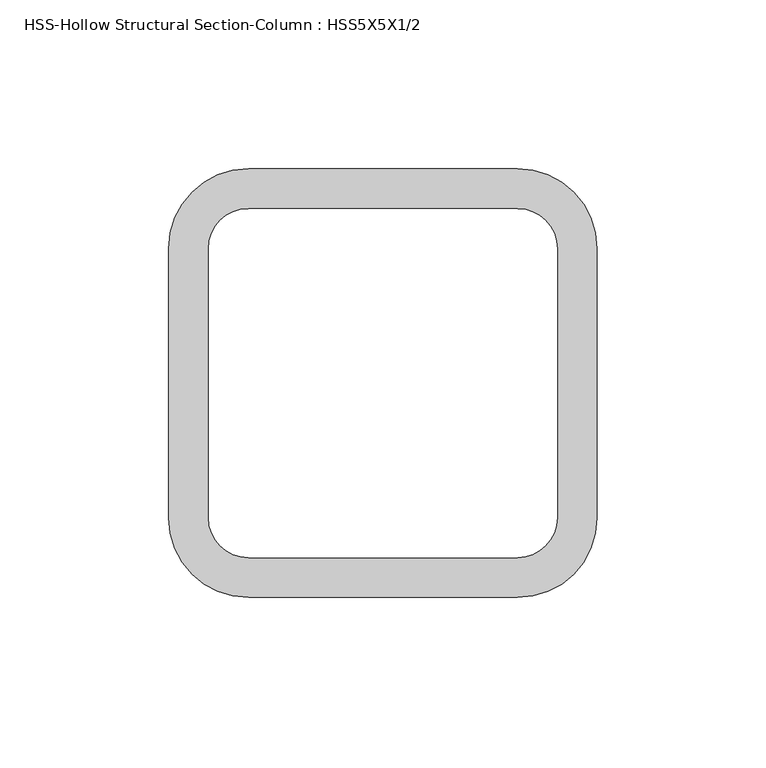
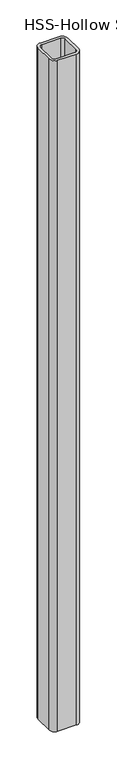
"""IFC4 building model written with IfcOpenShell, lengths in millimetres: column geometry, HSS-Hollow Structural Section-Column : HSS5X5X1/2."""

from ifc_helpers import new_model, si_unit, point, frame, frame_2d, origin, place, context, project, spatial, polyline, circle_curve, trimmed, segment, composite_curve, outline, extrude, source, transform, mapped, element, save


def hss_hollow_structural_section_column_hss5x5x1_2_7d25e4e8(model_context):
    return source(origin(), model_context, "Body", "SweptSolid", [
        extrude(outline(composite_curve([segment(trimmed(circle_curve(frame_2d((39.878, 39.878)), 23.622), [point((39.878, 63.5))], [point((63.5, 39.878))], False, "CARTESIAN"), True, "CONTINUOUS"), segment(polyline([(63.5, 39.878), (63.5, -39.878)]), True, "CONTINUOUS"), segment(trimmed(circle_curve(frame_2d((39.878, -39.878)), 23.622), [point((63.5, -39.878))], [point((39.878, -63.5))], False, "CARTESIAN"), True, "CONTINUOUS"), segment(polyline([(39.878, -63.5), (-39.878, -63.5)]), True, "CONTINUOUS"), segment(trimmed(circle_curve(frame_2d((-39.878, -39.878)), 23.622), [point((-39.878, -63.5))], [point((-63.5, -39.878))], False, "CARTESIAN"), True, "CONTINUOUS"), segment(polyline([(-63.5, -39.878), (-63.5, 39.878)]), True, "CONTINUOUS"), segment(trimmed(circle_curve(frame_2d((-39.878, 39.878)), 23.622), [point((-63.5, 39.878))], [point((-39.878, 63.5))], False, "CARTESIAN"), True, "CONTINUOUS"), segment(polyline([(-39.878, 63.5), (39.878, 63.5)]), True, "CONTINUOUS")], self_intersect=False), holes=[composite_curve([segment(polyline([(39.878, 51.689), (-39.878, 51.689)]), True, "CONTINUOUS"), segment(trimmed(circle_curve(frame_2d((-39.878, 39.878)), 11.811), [point((-39.878, 51.689))], [point((-51.689, 39.878))], True, "CARTESIAN"), True, "CONTINUOUS"), segment(polyline([(-51.689, 39.878), (-51.689, -39.878)]), True, "CONTINUOUS"), segment(trimmed(circle_curve(frame_2d((-39.878, -39.878)), 11.811), [point((-51.689, -39.878))], [point((-39.878, -51.689))], True, "CARTESIAN"), True, "CONTINUOUS"), segment(polyline([(-39.878, -51.689), (39.878, -51.689)]), True, "CONTINUOUS"), segment(trimmed(circle_curve(frame_2d((39.878, -39.878)), 11.811), [point((39.878, -51.689))], [point((51.689, -39.878))], True, "CARTESIAN"), True, "CONTINUOUS"), segment(polyline([(51.689, -39.878), (51.689, 39.878)]), True, "CONTINUOUS"), segment(trimmed(circle_curve(frame_2d((39.878, 39.878)), 11.811), [point((51.689, 39.878))], [point((39.878, 51.689))], True, "CARTESIAN"), True, "CONTINUOUS")], self_intersect=False)]), frame((0.0, 0.0, -203.2), z_axis=(0.0, 0.0, 1.0), x_axis=(1.0, 0.0, 0.0)), (0.0, 0.0, 1.0), 2997.2),
    ])


if __name__ == "__main__":
    model = new_model("IFC4")
    model_context = context("Model", 3, world=origin())
    ifc_project = project(units=[si_unit("LENGTHUNIT", "METRE", prefix="MILLI")], contexts=[model_context])
    site = spatial("IfcSite", under=ifc_project)
    building = spatial("IfcBuilding", under=site)
    placement = place(None, origin())
    hss_hollow_structural_section_column_hss5x5x1_2_shape = hss_hollow_structural_section_column_hss5x5x1_2_7d25e4e8(model_context)
    element("IfcColumn", 1, ObjectType="HSS-Hollow Structural Section-Column : HSS5X5X1/2", at=placement, inside=building, context=model_context, shape_type="MappedRepresentation", body=[
        mapped(hss_hollow_structural_section_column_hss5x5x1_2_shape, transform((0.0, 0.0, 0.0), x_axis=(1.0, 0.0, 0.0), y_axis=(0.0, 1.0, 0.0), z_axis=(0.0, 0.0, 1.0))),
    ])
    save(model, "model.ifc")
